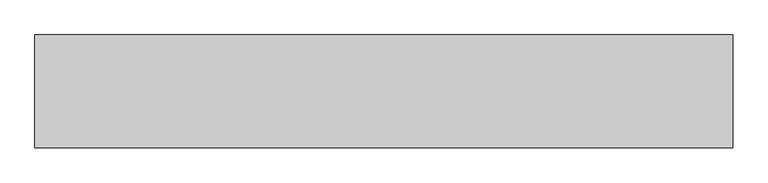
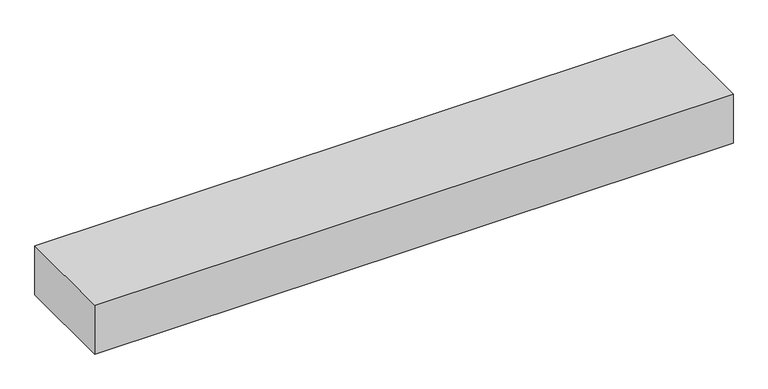
"""IFC4 building model written with IfcOpenShell, lengths in millimetres: proxy geometry."""

from ifc_helpers import new_model, si_unit, origin, origin_with_axes, place, context, project, spatial, polyline, outline, extrude, source, transform, mapped, element, save


def generic_models_957f82f0(model_context):
    return source(origin(), model_context, "Body", "SweptSolid", [
        extrude(outline(polyline([(1235.0, -100.0), (0.0, -100.0), (0.0, 100.0), (1235.0, 100.0), (1235.0, -100.0)])), origin_with_axes(), (0.0, 0.0, 1.0), 100.0),
    ])


if __name__ == "__main__":
    model = new_model("IFC4")
    model_context = context("Model", 3, world=origin())
    ifc_project = project(units=[si_unit("LENGTHUNIT", "METRE", prefix="MILLI")], contexts=[model_context])
    site = spatial("IfcSite", under=ifc_project)
    building = spatial("IfcBuilding", under=site)
    placement = place(None, origin())
    generic_models_shape = generic_models_957f82f0(model_context)
    element("IfcBuildingElementProxy", 1, Name="Generic Models", at=placement, inside=building, context=model_context, shape_type="MappedRepresentation", body=[
        mapped(generic_models_shape, transform((0.0, 0.0, 0.0), x_axis=(1.0, 0.0, 0.0), y_axis=(0.0, 1.0, 0.0), z_axis=(0.0, 0.0, 1.0))),
    ])
    save(model, "model.ifc")
